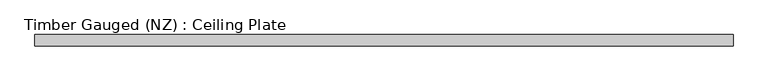
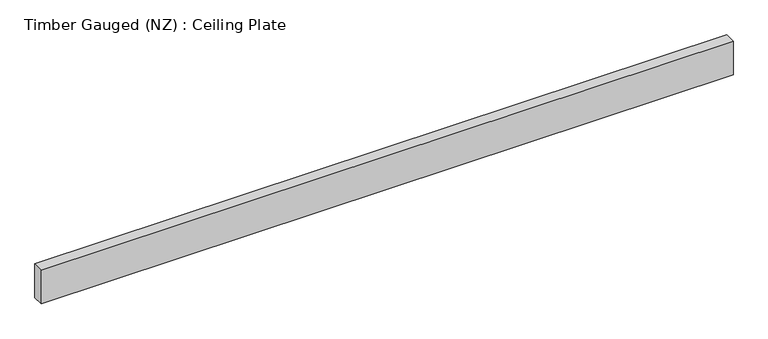
"""IFC4 building model written with IfcOpenShell, lengths in millimetres: beam geometry, Timber Gauged (NZ) : Ceiling Plate."""

from ifc_helpers import new_model, si_unit, frame, origin, place, context, project, spatial, polyline, outline, extrude, source, transform, mapped, element, save


def timber_gauged_nz_ceiling_plate_6c9ee0b1(model_context):
    return source(origin(), model_context, "Body", "SweptSolid", [
        extrude(outline(polyline([(1072.5, 17.5), (1072.5, -17.5), (-1072.5, -17.5), (-1072.5, 17.5), (1072.5, 17.5)])), frame((0.0, 0.0, -55.0), z_axis=(0.0, 0.0, 1.0), x_axis=(1.0, 0.0, 0.0)), (0.0, 0.0, 1.0), 110.0),
    ])


if __name__ == "__main__":
    model = new_model("IFC4")
    model_context = context("Model", 3, world=origin())
    ifc_project = project(units=[si_unit("LENGTHUNIT", "METRE", prefix="MILLI")], contexts=[model_context])
    site = spatial("IfcSite", under=ifc_project)
    building = spatial("IfcBuilding", under=site)
    placement = place(None, origin())
    timber_gauged_nz_ceiling_plate_shape = timber_gauged_nz_ceiling_plate_6c9ee0b1(model_context)
    element("IfcBeam", 1, ObjectType="Timber Gauged (NZ) : Ceiling Plate", at=placement, inside=building, context=model_context, shape_type="MappedRepresentation", body=[
        mapped(timber_gauged_nz_ceiling_plate_shape, transform((0.0, 0.0, 0.0), x_axis=(1.0, 0.0, 0.0), y_axis=(0.0, 1.0, 0.0), z_axis=(0.0, 0.0, 1.0))),
    ])
    save(model, "model.ifc")
